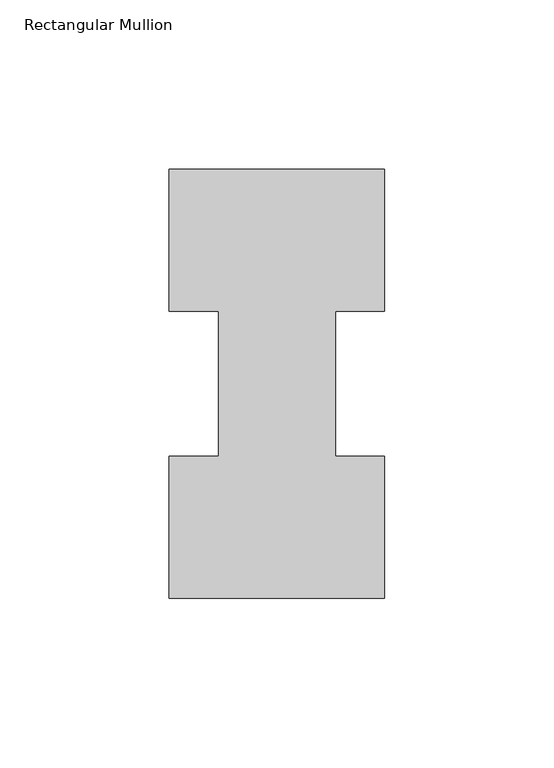
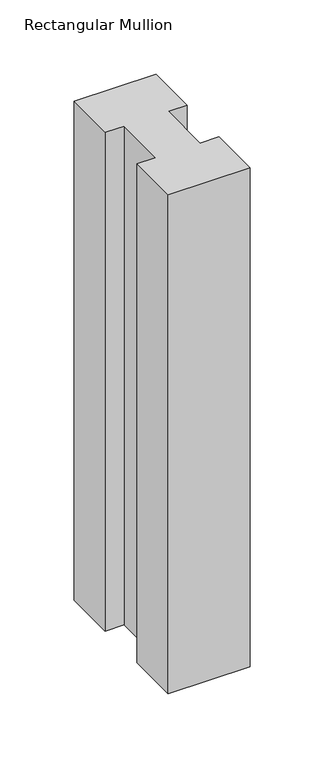
"""IFC4 building model written with IfcOpenShell, lengths in millimetres: member geometry, Rectangular Mullion."""

from ifc_helpers import new_model, si_unit, frame, origin, place, context, project, spatial, polyline, outline, extrude, source, transform, mapped, element, save


def rectangular_mullion_a96ae8ab(model_context):
    return source(origin(), model_context, "Body", "SweptSolid", [
        extrude(outline(polyline([(-63.5, 0.26035), (-63.5, 42.0829753), (-49.0000192, 42.0829753), (-49.0000192, 84.93125), (-63.5, 84.93125), (-63.5, 126.75235), (0.0, 126.75235), (0.0, 84.93125), (-14.4999808, 84.93125), (-14.4999808, 42.1178757), (0.0, 42.1178757), (0.0, 0.26035), (-63.5, 0.26035)])), frame((0.0, 0.0, -409.575), z_axis=(0.0, 0.0, 1.0), x_axis=(1.0, 0.0, 0.0)), (0.0, 0.0, 1.0), 409.575),
    ])


if __name__ == "__main__":
    model = new_model("IFC4")
    model_context = context("Model", 3, world=origin())
    ifc_project = project(units=[si_unit("LENGTHUNIT", "METRE", prefix="MILLI")], contexts=[model_context])
    site = spatial("IfcSite", under=ifc_project)
    building = spatial("IfcBuilding", under=site)
    placement = place(None, origin())
    rectangular_mullion_shape = rectangular_mullion_a96ae8ab(model_context)
    element("IfcMember", 1, ObjectType="Rectangular Mullion", at=placement, inside=building, context=model_context, shape_type="MappedRepresentation", body=[
        mapped(rectangular_mullion_shape, transform((0.0, 0.0, 0.0), x_axis=(1.0, 0.0, 0.0), y_axis=(0.0, 1.0, 0.0), z_axis=(0.0, 0.0, 1.0))),
    ])
    save(model, "model.ifc")
